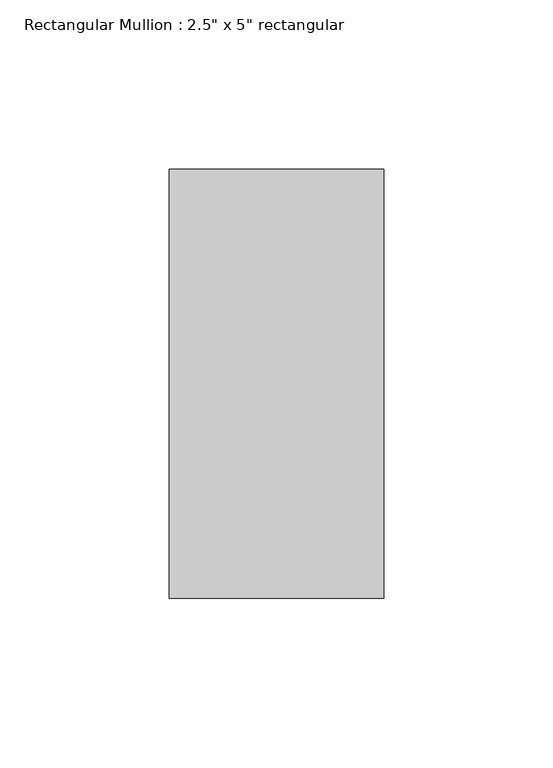
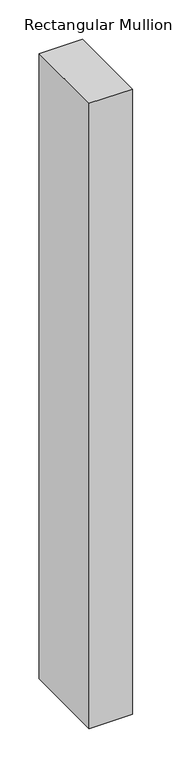
"""IFC4 building model written with IfcOpenShell, lengths in millimetres: member geometry."""

from ifc_helpers import new_model, si_unit, frame, origin, place, context, project, spatial, polyline, outline, extrude, source, transform, mapped, element, save


def member_e3d8cf4d(model_context):
    return source(origin(), model_context, "Body", "SweptSolid", [
        extrude(outline(polyline([(0.0, 63.5), (0.0, -63.5), (-63.5, -63.5), (-63.5, 63.5), (0.0, 63.5)])), frame((0.0, 0.0, -968.25), z_axis=(0.0, 0.0, 1.0), x_axis=(1.0, 0.0, 0.0)), (0.0, 0.0, 1.0), 968.25),
    ])


if __name__ == "__main__":
    model = new_model("IFC4")
    model_context = context("Model", 3, world=origin())
    ifc_project = project(units=[si_unit("LENGTHUNIT", "METRE", prefix="MILLI")], contexts=[model_context])
    site = spatial("IfcSite", under=ifc_project)
    building = spatial("IfcBuilding", under=site)
    placement = place(None, origin())
    member_shape = member_e3d8cf4d(model_context)
    element("IfcMember", 1, ObjectType="Rectangular Mullion : 2.5\" x 5\" rectangular", at=placement, inside=building, context=model_context, shape_type="MappedRepresentation", body=[
        mapped(member_shape, transform((0.0, 0.0, 0.0), x_axis=(1.0, 0.0, 0.0), y_axis=(0.0, 1.0, 0.0), z_axis=(0.0, 0.0, 1.0))),
    ])
    save(model, "model.ifc")
